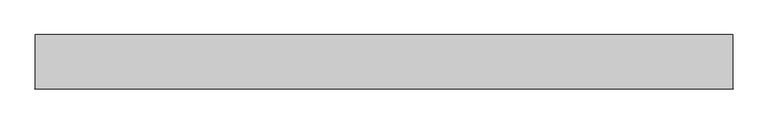
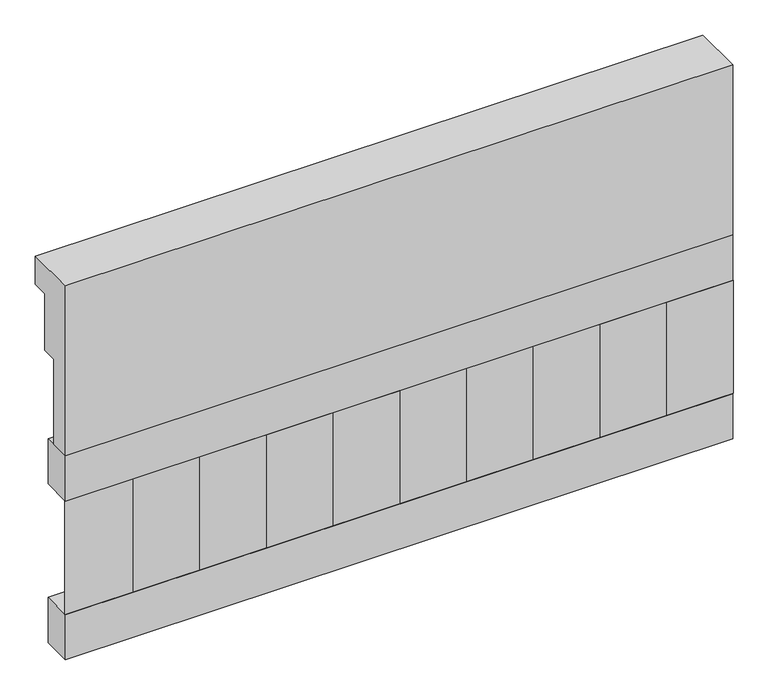
"""IFC4 building model written with IfcOpenShell, lengths in millimetres: railing geometry."""

from ifc_helpers import new_model, si_unit, frame, origin, place, context, project, spatial, polyline, outline, extrude, source, transform, mapped, element, save


def railing_d401fa07(model_context):
    return source(origin(), model_context, "Body", "SweptSolid", [
        extrude(outline(polyline([(903.1079487, 18500.0), (1033.1079487, 18500.0), (1033.1079487, 18425.0), (993.1079487, 18425.0), (993.1079487, 18275.0), (953.1079487, 18275.0), (953.1079487, 18050.0), (903.1079487, 18050.0), (903.1079487, 18500.0)])), frame((-2009.9887159, 0.0, 0.0), z_axis=(1.0, 0.0, 0.0), x_axis=(0.0, 1.0, 0.0)), (0.0, 0.0, 1.0), 1670.0),
        extrude(outline(polyline([(-339.9887159, 978.1079487), (-339.9887159, 903.1079487), (-2009.9887159, 903.1079487), (-2009.9887159, 978.1079487), (-339.9887159, 978.1079487)])), frame((0.0, 0.0, 17930.0), z_axis=(0.0, 0.0, 1.0), x_axis=(1.0, 0.0, 0.0)), (0.0, 0.0, 1.0), 120.0),
        extrude(outline(polyline([(-339.9887159, 978.1079487), (-339.9887159, 903.1079487), (-2009.9887159, 903.1079487), (-2009.9887159, 978.1079487), (-339.9887159, 978.1079487)])), frame((0.0, 0.0, 17510.0), z_axis=(0.0, 0.0, 1.0), x_axis=(1.0, 0.0, 0.0)), (0.0, 0.0, 1.0), 120.0),
        extrude(outline(polyline([(-1926.4887159, 987.9607624), (-1841.6359022, 903.1079487), (-2011.3415296, 903.1079487), (-1926.4887159, 987.9607624)])), frame((0.0, 0.0, 17630.0), z_axis=(0.0, 0.0, 1.0), x_axis=(1.0, 0.0, 0.0)), (0.0, 0.0, 1.0), 300.0),
        extrude(outline(polyline([(-1759.4887159, 987.9607624), (-1674.6359022, 903.1079487), (-1844.3415296, 903.1079487), (-1759.4887159, 987.9607624)])), frame((0.0, 0.0, 17630.0), z_axis=(0.0, 0.0, 1.0), x_axis=(1.0, 0.0, 0.0)), (0.0, 0.0, 1.0), 300.0),
        extrude(outline(polyline([(-1592.4887159, 987.9607624), (-1507.6359022, 903.1079487), (-1677.3415296, 903.1079487), (-1592.4887159, 987.9607624)])), frame((0.0, 0.0, 17630.0), z_axis=(0.0, 0.0, 1.0), x_axis=(1.0, 0.0, 0.0)), (0.0, 0.0, 1.0), 300.0),
        extrude(outline(polyline([(-1425.4887159, 987.9607624), (-1340.6359022, 903.1079487), (-1510.3415296, 903.1079487), (-1425.4887159, 987.9607624)])), frame((0.0, 0.0, 17630.0), z_axis=(0.0, 0.0, 1.0), x_axis=(1.0, 0.0, 0.0)), (0.0, 0.0, 1.0), 300.0),
        extrude(outline(polyline([(-1258.4887159, 987.9607624), (-1173.6359022, 903.1079487), (-1343.3415296, 903.1079487), (-1258.4887159, 987.9607624)])), frame((0.0, 0.0, 17630.0), z_axis=(0.0, 0.0, 1.0), x_axis=(1.0, 0.0, 0.0)), (0.0, 0.0, 1.0), 300.0),
        extrude(outline(polyline([(-1091.4887159, 987.9607624), (-1006.6359022, 903.1079487), (-1176.3415296, 903.1079487), (-1091.4887159, 987.9607624)])), frame((0.0, 0.0, 17630.0), z_axis=(0.0, 0.0, 1.0), x_axis=(1.0, 0.0, 0.0)), (0.0, 0.0, 1.0), 300.0),
        extrude(outline(polyline([(-924.4887159, 987.9607624), (-839.6359022, 903.1079487), (-1009.3415296, 903.1079487), (-924.4887159, 987.9607624)])), frame((0.0, 0.0, 17630.0), z_axis=(0.0, 0.0, 1.0), x_axis=(1.0, 0.0, 0.0)), (0.0, 0.0, 1.0), 300.0),
        extrude(outline(polyline([(-757.4887159, 987.9607624), (-672.6359022, 903.1079487), (-842.3415296, 903.1079487), (-757.4887159, 987.9607624)])), frame((0.0, 0.0, 17630.0), z_axis=(0.0, 0.0, 1.0), x_axis=(1.0, 0.0, 0.0)), (0.0, 0.0, 1.0), 300.0),
        extrude(outline(polyline([(-590.4887159, 987.9607624), (-505.6359022, 903.1079487), (-675.3415296, 903.1079487), (-590.4887159, 987.9607624)])), frame((0.0, 0.0, 17630.0), z_axis=(0.0, 0.0, 1.0), x_axis=(1.0, 0.0, 0.0)), (0.0, 0.0, 1.0), 300.0),
        extrude(outline(polyline([(-423.4887159, 987.9607624), (-338.6359022, 903.1079487), (-508.3415296, 903.1079487), (-423.4887159, 987.9607624)])), frame((0.0, 0.0, 17630.0), z_axis=(0.0, 0.0, 1.0), x_axis=(1.0, 0.0, 0.0)), (0.0, 0.0, 1.0), 300.0),
    ])


if __name__ == "__main__":
    model = new_model("IFC4")
    model_context = context("Model", 3, world=origin())
    ifc_project = project(units=[si_unit("LENGTHUNIT", "METRE", prefix="MILLI")], contexts=[model_context])
    site = spatial("IfcSite", under=ifc_project)
    building = spatial("IfcBuilding", under=site)
    placement = place(None, origin())
    railing_shape = railing_d401fa07(model_context)
    element("IfcRailing", 1, at=placement, inside=building, context=model_context, shape_type="MappedRepresentation", body=[
        mapped(railing_shape, transform((0.0, 0.0, 0.0), x_axis=(1.0, 0.0, 0.0), y_axis=(0.0, 1.0, 0.0), z_axis=(0.0, 0.0, 1.0))),
    ])
    save(model, "model.ifc")
